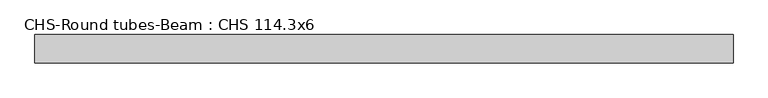
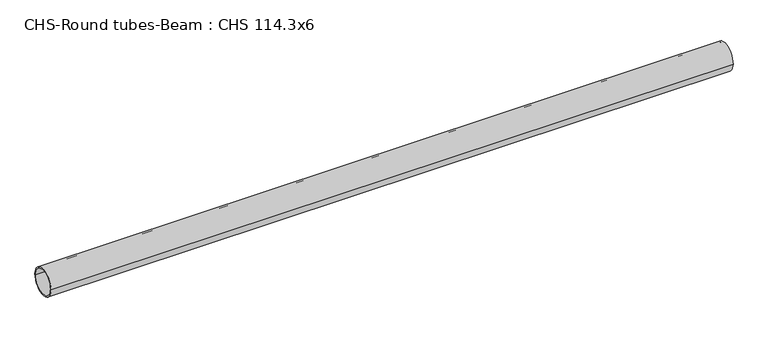
"""IFC4 building model written with IfcOpenShell, lengths in millimetres: beam geometry, CHS-Round tubes-Beam : CHS 114.3x6."""

from ifc_helpers import new_model, si_unit, point, frame, origin, origin_2d, place, context, project, spatial, circle_curve, trimmed, segment, composite_curve, outline, extrude, source, transform, mapped, element, save


def chs_round_tubes_beam_chs_114_3x6_1cc38f84(model_context):
    return source(origin(), model_context, "Body", "SweptSolid", [
        extrude(outline(composite_curve([segment(trimmed(circle_curve(origin_2d(), 57.15), [point((57.15, 0.0))], [point((-57.15, 0.0))], False, "CARTESIAN"), True, "CONTINUOUS"), segment(trimmed(circle_curve(origin_2d(), 57.15), [point((-57.15, 0.0))], [point((57.15, 0.0))], False, "CARTESIAN"), True, "CONTINUOUS")], self_intersect=False), holes=[composite_curve([segment(trimmed(circle_curve(origin_2d(), 51.15), [point((51.15, 0.0))], [point((-51.15, 0.0))], True, "CARTESIAN"), True, "CONTINUOUS"), segment(trimmed(circle_curve(origin_2d(), 51.15), [point((-51.15, 0.0))], [point((51.15, 0.0))], True, "CARTESIAN"), True, "CONTINUOUS")], self_intersect=False)]), frame((-1397.2331493, 0.0, 0.0), z_axis=(1.0, 0.0, 0.0), x_axis=(0.0, 1.0, 0.0)), (0.0, 0.0, 1.0), 2803.2846063),
    ])


if __name__ == "__main__":
    model = new_model("IFC4")
    model_context = context("Model", 3, world=origin())
    ifc_project = project(units=[si_unit("LENGTHUNIT", "METRE", prefix="MILLI")], contexts=[model_context])
    site = spatial("IfcSite", under=ifc_project)
    building = spatial("IfcBuilding", under=site)
    placement = place(None, origin())
    chs_round_tubes_beam_chs_114_3x6_shape = chs_round_tubes_beam_chs_114_3x6_1cc38f84(model_context)
    element("IfcBeam", 1, ObjectType="CHS-Round tubes-Beam : CHS 114.3x6", at=placement, inside=building, context=model_context, shape_type="MappedRepresentation", body=[
        mapped(chs_round_tubes_beam_chs_114_3x6_shape, transform((0.0, 0.0, 0.0), x_axis=(1.0, 0.0, 0.0), y_axis=(0.0, 1.0, 0.0), z_axis=(0.0, 0.0, 1.0))),
    ])
    save(model, "model.ifc")
